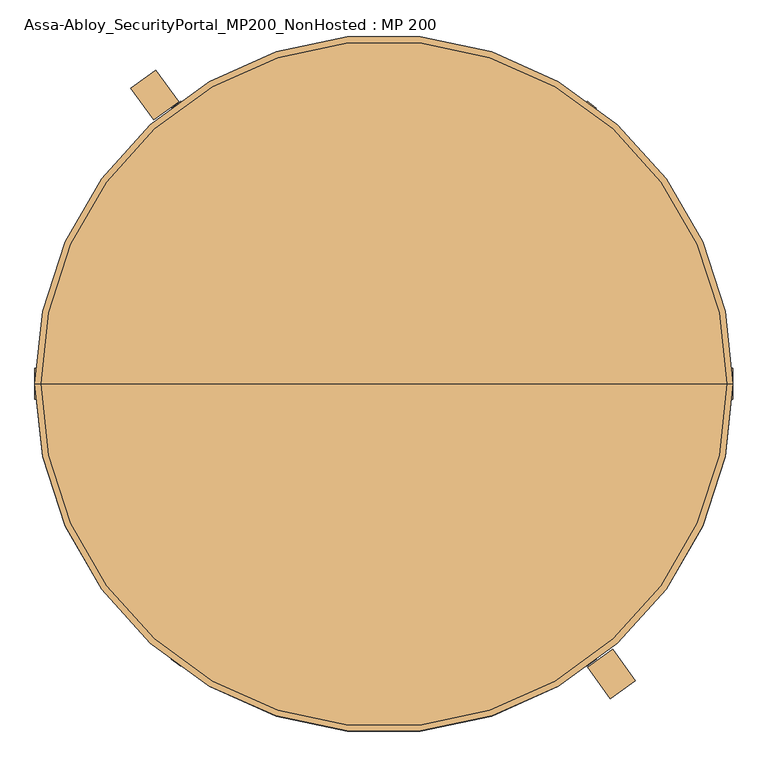
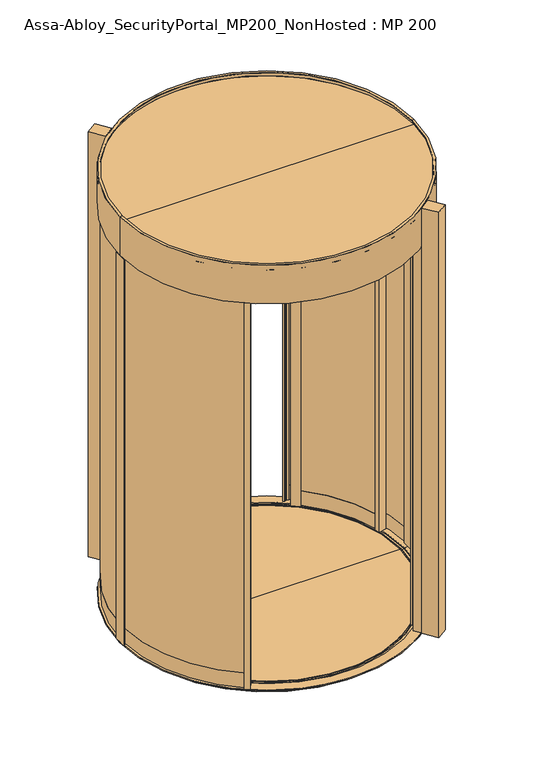
"""IFC4 building model written with IfcOpenShell, lengths in millimetres: door geometry, Assa-Abloy_SecurityPortal_MP200_NonHosted : MP 200."""

from ifc_helpers import new_model, si_unit, point, frame, origin, origin_2d, place, context, project, spatial, polyline, circle_curve, trimmed, segment, composite_curve, outline, extrude, source, transform, mapped, element, save
from ifc_brep_helpers import plane_surface, cylinder_surface, revolved_surface, advanced_brep


def assa_abloy_securityportal_mp200_nonhosted_mp_200_caa7051d(model_context):
    return source(origin(), model_context, "Body", "SolidModel", [
        extrude(outline(polyline([(-587.7852523, 809.0169944), (-529.0067271, 728.1152949), (-593.7280866, 681.0924748), (-652.5066118, 761.9941742), (-587.7852523, 809.0169944)])), frame((0.0, 0.0, 45.0), z_axis=(0.0, 0.0, 1.0), x_axis=(1.0, 0.0, 0.0)), (0.0, 0.0, 1.0), 2750.0),
        extrude(outline(polyline([(583.8246464, -811.8797831), (525.4421818, -730.6918048), (590.3925644, -683.9858331), (648.7750291, -765.1738114), (583.8246464, -811.8797831)])), frame((0.0, 0.0, 45.0), z_axis=(0.0, 0.0, 1.0), x_axis=(1.0, 0.0, 0.0)), (0.0, 0.0, 1.0), 2750.0),
        extrude(outline(polyline([(-840.9291389, -198.6373222), (-795.8013744, -186.3086927), (-787.8952842, -215.2481768), (-790.7892326, -216.0387858), (-794.7422777, -201.5690438), (-817.893865, -207.8939159), (-813.9408199, -222.363658), (-816.8347683, -223.154267), (-821.5784224, -205.7905765), (-837.7667029, -210.2131158), (-840.9291389, -198.6373222)])), frame((0.0, 0.0, 45.0), z_axis=(0.0, 0.0, 1.0), x_axis=(1.0, 0.0, 0.0)), (0.0, 0.0, 1.0), 2547.0),
        extrude(outline(polyline([(-513.8715653, -634.5785348), (-520.1078131, -642.2796594), (-518.6567459, -645.254788), (-519.5271983, -646.3297071), (-525.9508156, -644.7281195), (-529.4823412, -649.0891904), (-528.0312741, -652.064319), (-532.7631722, -657.8832002), (-554.511264, -640.2719427), (-552.6233028, -637.9405048), (-540.9661134, -647.3803107), (-525.862424, -628.7288076), (-537.5196134, -619.2890018), (-535.6316522, -616.9575639), (-513.8715653, -634.5785348)])), frame((0.0, 0.0, 45.0), z_axis=(0.0, 0.0, 1.0), x_axis=(1.0, 0.0, 0.0)), (0.0, 0.0, 1.0), 2547.0),
        extrude(outline(composite_curve([segment(trimmed(circle_curve(origin_2d(), 831.85), [point((-806.2662352, -204.7173185))], [point((-533.539134, -638.208755))], True, "CARTESIAN"), True, "CONTINUOUS"), segment(polyline([(-533.539134, -638.208755), (-540.0212184, -646.2134627)]), True, "CONTINUOUS"), segment(trimmed(circle_curve(origin_2d(), 842.1488916), [point((-540.0212184, -646.2134627))], [point((-816.2026513, -207.4318867))], False, "CARTESIAN"), True, "CONTINUOUS"), segment(polyline([(-816.2026513, -207.4318867), (-806.2662352, -204.7173185)]), True, "CONTINUOUS")], self_intersect=False)), frame((0.0, 0.0, 45.0), z_axis=(0.0, 0.0, 1.0), x_axis=(1.0, 0.0, 0.0)), (0.0, 0.0, 1.0), 95.0),
        extrude(outline(composite_curve([segment(trimmed(circle_curve(origin_2d(), 831.85), [point((-806.2662352, -204.7173185))], [point((-533.539134, -638.208755))], True, "CARTESIAN"), True, "CONTINUOUS"), segment(polyline([(-533.539134, -638.208755), (-540.0212184, -646.2134627)]), True, "CONTINUOUS"), segment(trimmed(circle_curve(origin_2d(), 842.1488916), [point((-540.0212184, -646.2134627))], [point((-816.2026513, -207.4318867))], False, "CARTESIAN"), True, "CONTINUOUS"), segment(polyline([(-816.2026513, -207.4318867), (-806.2662352, -204.7173185)]), True, "CONTINUOUS")], self_intersect=False)), frame((0.0, 0.0, 140.0), z_axis=(0.0, 0.0, 1.0), x_axis=(1.0, 0.0, 0.0)), (0.0, 0.0, 1.0), 2452.0),
        extrude(outline(polyline([(840.9291389, -198.6373222), (837.7667029, -210.2131158), (821.5784224, -205.7905765), (816.8347683, -223.154267), (813.9408199, -222.363658), (817.893865, -207.8939159), (794.7422777, -201.5690438), (790.7892326, -216.0387858), (787.8952842, -215.2481768), (795.8013744, -186.3086927), (840.9291389, -198.6373222)])), frame((0.0, 0.0, 45.0), z_axis=(0.0, 0.0, 1.0), x_axis=(1.0, 0.0, 0.0)), (0.0, 0.0, 1.0), 2547.0),
        extrude(outline(polyline([(513.8715653, -634.5785348), (535.6316522, -616.9575639), (537.5196134, -619.2890018), (525.862424, -628.7288076), (540.9661134, -647.3803107), (552.6233028, -637.9405048), (554.511264, -640.2719427), (532.7631722, -657.8832002), (528.0312741, -652.064319), (529.4823412, -649.0891904), (525.9508156, -644.7281195), (519.5271983, -646.3297071), (518.6567459, -645.254788), (520.1078131, -642.2796594), (513.8715653, -634.5785348)])), frame((0.0, 0.0, 45.0), z_axis=(0.0, 0.0, 1.0), x_axis=(1.0, 0.0, 0.0)), (0.0, 0.0, 1.0), 2547.0),
        extrude(outline(composite_curve([segment(polyline([(806.2662352, -204.7173185), (816.2026513, -207.4318867)]), True, "CONTINUOUS"), segment(trimmed(circle_curve(origin_2d(), 842.1488916), [point((816.2026513, -207.4318867))], [point((540.0212184, -646.2134627))], False, "CARTESIAN"), True, "CONTINUOUS"), segment(polyline([(540.0212184, -646.2134627), (533.539134, -638.208755)]), True, "CONTINUOUS"), segment(trimmed(circle_curve(origin_2d(), 831.85), [point((533.539134, -638.208755))], [point((806.2662352, -204.7173185))], True, "CARTESIAN"), True, "CONTINUOUS")], self_intersect=False)), frame((0.0, 0.0, 45.0), z_axis=(0.0, 0.0, 1.0), x_axis=(1.0, 0.0, 0.0)), (0.0, 0.0, 1.0), 95.0),
        extrude(outline(composite_curve([segment(polyline([(806.2662352, -204.7173185), (816.2026513, -207.4318867)]), True, "CONTINUOUS"), segment(trimmed(circle_curve(origin_2d(), 842.1488916), [point((816.2026513, -207.4318867))], [point((540.0212184, -646.2134627))], False, "CARTESIAN"), True, "CONTINUOUS"), segment(polyline([(540.0212184, -646.2134627), (533.539134, -638.208755)]), True, "CONTINUOUS"), segment(trimmed(circle_curve(origin_2d(), 831.85), [point((533.539134, -638.208755))], [point((806.2662352, -204.7173185))], True, "CARTESIAN"), True, "CONTINUOUS")], self_intersect=False)), frame((0.0, 0.0, 140.0), z_axis=(0.0, 0.0, 1.0), x_axis=(1.0, 0.0, 0.0)), (0.0, 0.0, 1.0), 2452.0),
        extrude(outline(polyline([(-572.5019809, 624.3522498), (-532.0903906, 657.0769104), (-525.8541429, 649.3757858), (-522.6423342, 650.1765796), (-521.7718819, 649.1016605), (-524.6740161, 643.1514034), (-521.1424905, 638.7903324), (-517.9306818, 639.5911263), (-513.2107789, 633.7625316), (-553.6223692, 601.037871), (-557.3982915, 605.7007468), (-544.9639562, 615.769873), (-558.1796844, 632.0899382), (-570.6140198, 622.020812), (-572.5019809, 624.3522498)])), frame((0.0, 0.0, 45.0), z_axis=(0.0, 0.0, 1.0), x_axis=(1.0, 0.0, 0.0)), (0.0, 0.0, 1.0), 2547.0),
        extrude(outline(polyline([(-836.5322011, 207.4188387), (-829.630112, 205.5513418), (-826.3929092, 210.958288), (-820.9118517, 209.4752793), (-817.7254743, 221.2518237), (-814.8296027, 220.4682883), (-818.7472798, 205.9889304), (-798.4761787, 200.5041825), (-794.5585016, 214.9835404), (-788.7667584, 213.4164696), (-796.6543483, 184.2646956), (-843.3465428, 196.8981937), (-836.5322011, 207.4188387)])), frame((0.0, 0.0, 45.0), z_axis=(0.0, 0.0, 1.0), x_axis=(1.0, 0.0, 0.0)), (0.0, 0.0, 1.0), 2547.0),
        extrude(outline(composite_curve([segment(trimmed(circle_curve(origin_2d(), 830.5), [point((-550.1365798, 622.1575312))], [point((-805.4606921, 202.3939809))], True, "CARTESIAN"), True, "CONTINUOUS"), segment(polyline([(-805.4606921, 202.3939809), (-815.1234221, 205.0084239)]), True, "CONTINUOUS"), segment(trimmed(circle_curve(origin_2d(), 840.5085645), [point((-815.1234221, 205.0084239))], [point((-556.4410287, 629.9428773))], False, "CARTESIAN"), True, "CONTINUOUS"), segment(polyline([(-556.4410287, 629.9428773), (-550.1365798, 622.1575312)]), True, "CONTINUOUS")], self_intersect=False)), frame((0.0, 0.0, 45.0), z_axis=(0.0, 0.0, 1.0), x_axis=(1.0, 0.0, 0.0)), (0.0, 0.0, 1.0), 95.0),
        extrude(outline(composite_curve([segment(trimmed(circle_curve(origin_2d(), 830.5), [point((-550.1365798, 622.1575312))], [point((-805.4606921, 202.3939809))], True, "CARTESIAN"), True, "CONTINUOUS"), segment(polyline([(-805.4606921, 202.3939809), (-815.1234221, 205.0084239)]), True, "CONTINUOUS"), segment(trimmed(circle_curve(origin_2d(), 840.5085645), [point((-815.1234221, 205.0084239))], [point((-556.4410287, 629.9428773))], False, "CARTESIAN"), True, "CONTINUOUS"), segment(polyline([(-556.4410287, 629.9428773), (-550.1365798, 622.1575312)]), True, "CONTINUOUS")], self_intersect=False)), frame((0.0, 0.0, 140.0), z_axis=(0.0, 0.0, 1.0), x_axis=(1.0, 0.0, 0.0)), (0.0, 0.0, 1.0), 2452.0),
        extrude(outline(polyline([(572.5019809, 624.3522498), (570.6140198, 622.020812), (558.1796844, 632.0899382), (544.9639562, 615.769873), (557.3982915, 605.7007468), (553.6223692, 601.037871), (513.2107789, 633.7625316), (517.9306818, 639.5911263), (521.1424905, 638.7903324), (524.6740161, 643.1514034), (521.7718819, 649.1016605), (522.6423342, 650.1765796), (525.8541429, 649.3757858), (532.0903906, 657.0769104), (572.5019809, 624.3522498)])), frame((0.0, 0.0, 45.0), z_axis=(0.0, 0.0, 1.0), x_axis=(1.0, 0.0, 0.0)), (0.0, 0.0, 1.0), 2547.0),
        extrude(outline(polyline([(835.8030777, 210.3376174), (842.6541019, 199.8408229), (796.006291, 187.0444156), (788.0169905, 216.1684792), (793.8032283, 217.7557574), (797.7714239, 203.2901629), (818.0232562, 208.8456368), (814.0550605, 223.3112313), (816.9481794, 224.1048704), (820.1756452, 212.3395202), (825.6514927, 213.8416523), (828.9075495, 208.4460391), (835.8030777, 210.3376174)])), frame((0.0, 0.0, 45.0), z_axis=(0.0, 0.0, 1.0), x_axis=(1.0, 0.0, 0.0)), (0.0, 0.0, 1.0), 2547.0),
        extrude(outline(composite_curve([segment(polyline([(550.1365798, 622.1575312), (556.4252002, 629.9233307)]), True, "CONTINUOUS"), segment(trimmed(circle_curve(origin_2d(), 840.4834359), [point((556.4252002, 629.9233307))], [point((814.3786059, 207.8458379))], False, "CARTESIAN"), True, "CONTINUOUS"), segment(polyline([(814.3786059, 207.8458379), (804.7492981, 205.2043304)]), True, "CONTINUOUS"), segment(trimmed(circle_curve(origin_2d(), 830.5), [point((804.7492981, 205.2043304))], [point((550.1365798, 622.1575312))], True, "CARTESIAN"), True, "CONTINUOUS")], self_intersect=False)), frame((0.0, 0.0, 45.0), z_axis=(0.0, 0.0, 1.0), x_axis=(1.0, 0.0, 0.0)), (0.0, 0.0, 1.0), 95.0),
        extrude(outline(composite_curve([segment(polyline([(550.1365798, 622.1575312), (556.4252002, 629.9233307)]), True, "CONTINUOUS"), segment(trimmed(circle_curve(origin_2d(), 840.4834359), [point((556.4252002, 629.9233307))], [point((814.3786059, 207.8458379))], False, "CARTESIAN"), True, "CONTINUOUS"), segment(polyline([(814.3786059, 207.8458379), (804.7492981, 205.2043304)]), True, "CONTINUOUS"), segment(trimmed(circle_curve(origin_2d(), 830.5), [point((804.7492981, 205.2043304))], [point((550.1365798, 622.1575312))], True, "CARTESIAN"), True, "CONTINUOUS")], self_intersect=False)), frame((0.0, 0.0, 140.0), z_axis=(0.0, 0.0, 1.0), x_axis=(1.0, 0.0, 0.0)), (0.0, 0.0, 1.0), 2452.0),
        extrude(outline(polyline([(524.0579552, 728.554429), (547.4074128, 710.5664329), (543.7457122, 705.8133341), (531.8629651, 714.9675856), (519.047013, 698.3317396), (530.9297601, 689.1774881), (529.0989098, 686.8009387), (520.0087487, 693.8038329), (516.5418051, 689.3035399), (509.8115964, 691.7097246), (505.6037219, 686.2476606), (494.5378553, 690.2356345), (524.0579552, 728.554429)])), frame((0.0, 0.0, 45.0), z_axis=(0.0, 0.0, 1.0), x_axis=(1.0, 0.0, 0.0)), (0.0, 0.0, 1.0), 2500.0),
        extrude(outline(polyline([(546.166091, -707.7830819), (547.917565, -710.2187212), (523.3987955, -727.8502256), (495.9590371, -689.6918758), (510.3340805, -679.3547485), (511.6768772, -681.222072), (499.7374732, -689.8077253), (506.7433689, -699.5502827), (528.826499, -683.6702523), (532.1542995, -688.2979671), (519.9761028, -697.0553368), (533.9878943, -716.5404516), (546.166091, -707.7830819)])), frame((0.0, 0.0, 45.0), z_axis=(0.0, 0.0, 1.0), x_axis=(1.0, 0.0, 0.0)), (0.0, 0.0, 1.0), 2500.0),
        extrude(outline(polyline([(862.0, -40.0), (862.0, 40.0), (869.0, 40.0), (869.0, 23.6246718), (893.0, 23.6246718), (893.0, 40.0), (900.0, 40.0), (900.0, -40.0), (893.0, -40.0), (893.0, -23.6246718), (869.0, -23.6246718), (869.0, -40.0), (862.0, -40.0)])), frame((0.0, 0.0, 45.0), z_axis=(0.0, 0.0, 1.0), x_axis=(1.0, 0.0, 0.0)), (0.0, 0.0, 1.0), 2500.0),
        extrude(outline(composite_curve([segment(trimmed(circle_curve(origin_2d(), 873.4), [point((522.1757936, -700.1142768))], [point((873.0804286, -23.6246718))], True, "CARTESIAN"), True, "CONTINUOUS"), segment(polyline([(873.0804286, -23.6246718), (883.3841562, -23.6246718)]), True, "CONTINUOUS"), segment(trimmed(circle_curve(origin_2d(), 883.7000014), [point((883.3841562, -23.6246718))], [point((528.1900886, -708.4778916))], False, "CARTESIAN"), True, "CONTINUOUS"), segment(polyline([(528.1900886, -708.4778916), (522.1757936, -700.1142768)]), True, "CONTINUOUS")], self_intersect=False)), frame((0.0, 0.0, 140.0), z_axis=(0.0, 0.0, 1.0), x_axis=(1.0, 0.0, 0.0)), (0.0, 0.0, 1.0), 2405.0),
        extrude(outline(composite_curve([segment(polyline([(521.0601907, 700.9449605), (527.3470273, 709.1056375)]), True, "CONTINUOUS"), segment(trimmed(circle_curve(origin_2d(), 883.7000014), [point((527.3470273, 709.1056375))], [point((883.3841561, 23.6246718))], False, "CARTESIAN"), True, "CONTINUOUS"), segment(polyline([(883.3841561, 23.6246718), (873.0804286, 23.6246718)]), True, "CONTINUOUS"), segment(trimmed(circle_curve(origin_2d(), 873.4), [point((873.0804286, 23.6246718))], [point((521.0601907, 700.9449605))], True, "CARTESIAN"), True, "CONTINUOUS")], self_intersect=False)), frame((0.0, 0.0, 140.0), z_axis=(0.0, 0.0, 1.0), x_axis=(1.0, 0.0, 0.0)), (0.0, 0.0, 1.0), 2405.0),
        extrude(outline(composite_curve([segment(trimmed(circle_curve(origin_2d(), 873.4), [point((522.1757936, -700.1142768))], [point((873.0804286, -23.6246718))], True, "CARTESIAN"), True, "CONTINUOUS"), segment(polyline([(873.0804286, -23.6246718), (883.3841562, -23.6246718)]), True, "CONTINUOUS"), segment(trimmed(circle_curve(origin_2d(), 883.7000014), [point((883.3841562, -23.6246718))], [point((528.1900886, -708.4778916))], False, "CARTESIAN"), True, "CONTINUOUS"), segment(polyline([(528.1900886, -708.4778916), (522.1757936, -700.1142768)]), True, "CONTINUOUS")], self_intersect=False)), frame((0.0, 0.0, 45.0), z_axis=(0.0, 0.0, 1.0), x_axis=(1.0, 0.0, 0.0)), (0.0, 0.0, 1.0), 95.0),
        extrude(outline(composite_curve([segment(polyline([(521.0601907, 700.9449605), (527.3470286, 709.1056392)]), True, "CONTINUOUS"), segment(trimmed(circle_curve(origin_2d(), 883.7000034), [point((527.3470286, 709.1056392))], [point((883.3841582, 23.6246718))], False, "CARTESIAN"), True, "CONTINUOUS"), segment(polyline([(883.3841582, 23.6246718), (873.0804286, 23.6246718)]), True, "CONTINUOUS"), segment(trimmed(circle_curve(origin_2d(), 873.4), [point((873.0804286, 23.6246718))], [point((521.0601907, 700.9449605))], True, "CARTESIAN"), True, "CONTINUOUS")], self_intersect=False)), frame((0.0, 0.0, 45.0), z_axis=(0.0, 0.0, 1.0), x_axis=(1.0, 0.0, 0.0)), (0.0, 0.0, 1.0), 95.0),
        extrude(outline(polyline([(-524.0579552, 728.554429), (-494.5378553, 690.2356345), (-505.6037219, 686.2476606), (-509.8115964, 691.7097246), (-516.5418051, 689.3035399), (-520.0087487, 693.8038329), (-529.0989098, 686.8009387), (-530.9297601, 689.1774881), (-519.047013, 698.3317396), (-531.8629651, 714.9675856), (-543.7457122, 705.8133341), (-547.4074128, 710.5664329), (-524.0579552, 728.554429)])), frame((0.0, 0.0, 45.0), z_axis=(0.0, 0.0, 1.0), x_axis=(1.0, 0.0, 0.0)), (0.0, 0.0, 1.0), 2500.0),
        extrude(outline(polyline([(-546.166091, -707.7830819), (-533.9878943, -716.5404516), (-519.9761028, -697.0553368), (-532.1542995, -688.2979671), (-528.826499, -683.6702523), (-506.7433689, -699.5502827), (-499.7374732, -689.8077253), (-511.6768772, -681.222072), (-510.3340805, -679.3547485), (-495.9590371, -689.6918758), (-523.3987955, -727.8502256), (-547.917565, -710.2187212), (-546.166091, -707.7830819)])), frame((0.0, 0.0, 45.0), z_axis=(0.0, 0.0, 1.0), x_axis=(1.0, 0.0, 0.0)), (0.0, 0.0, 1.0), 2500.0),
        extrude(outline(polyline([(-862.0, -40.0), (-869.0, -40.0), (-869.0, -23.6246718), (-893.0, -23.6246718), (-893.0, -40.0), (-900.0, -40.0), (-900.0, 40.0), (-893.0, 40.0), (-893.0, 23.6246718), (-869.0, 23.6246718), (-869.0, 40.0), (-862.0, 40.0), (-862.0, -40.0)])), frame((0.0, 0.0, 45.0), z_axis=(0.0, 0.0, 1.0), x_axis=(1.0, 0.0, 0.0)), (0.0, 0.0, 1.0), 2500.0),
        extrude(outline(composite_curve([segment(polyline([(-522.1757936, -700.1142768), (-528.1900886, -708.4778916)]), True, "CONTINUOUS"), segment(trimmed(circle_curve(origin_2d(), 883.7000014), [point((-528.1900886, -708.4778916))], [point((-883.3841562, -23.6246718))], False, "CARTESIAN"), True, "CONTINUOUS"), segment(polyline([(-883.3841562, -23.6246718), (-873.0804286, -23.6246718)]), True, "CONTINUOUS"), segment(trimmed(circle_curve(origin_2d(), 873.4), [point((-873.0804286, -23.6246718))], [point((-522.1757936, -700.1142768))], True, "CARTESIAN"), True, "CONTINUOUS")], self_intersect=False)), frame((0.0, 0.0, 140.0), z_axis=(0.0, 0.0, 1.0), x_axis=(1.0, 0.0, 0.0)), (0.0, 0.0, 1.0), 2405.0),
        extrude(outline(composite_curve([segment(trimmed(circle_curve(origin_2d(), 873.4), [point((-521.0601907, 700.9449605))], [point((-873.0804286, 23.6246718))], True, "CARTESIAN"), True, "CONTINUOUS"), segment(polyline([(-873.0804286, 23.6246718), (-883.3841561, 23.6246718)]), True, "CONTINUOUS"), segment(trimmed(circle_curve(origin_2d(), 883.7000014), [point((-883.3841561, 23.6246718))], [point((-527.3470273, 709.1056375))], False, "CARTESIAN"), True, "CONTINUOUS"), segment(polyline([(-527.3470273, 709.1056375), (-521.0601907, 700.9449605)]), True, "CONTINUOUS")], self_intersect=False)), frame((0.0, 0.0, 140.0), z_axis=(0.0, 0.0, 1.0), x_axis=(1.0, 0.0, 0.0)), (0.0, 0.0, 1.0), 2405.0),
        extrude(outline(composite_curve([segment(polyline([(-522.1757936, -700.1142768), (-528.1900886, -708.4778916)]), True, "CONTINUOUS"), segment(trimmed(circle_curve(origin_2d(), 883.7000014), [point((-528.1900886, -708.4778916))], [point((-883.3841562, -23.6246718))], False, "CARTESIAN"), True, "CONTINUOUS"), segment(polyline([(-883.3841562, -23.6246718), (-873.0804286, -23.6246718)]), True, "CONTINUOUS"), segment(trimmed(circle_curve(origin_2d(), 873.4), [point((-873.0804286, -23.6246718))], [point((-522.1757936, -700.1142768))], True, "CARTESIAN"), True, "CONTINUOUS")], self_intersect=False)), frame((0.0, 0.0, 45.0), z_axis=(0.0, 0.0, 1.0), x_axis=(1.0, 0.0, 0.0)), (0.0, 0.0, 1.0), 95.0),
        extrude(outline(composite_curve([segment(trimmed(circle_curve(origin_2d(), 873.4), [point((-521.0601907, 700.9449605))], [point((-873.0804286, 23.6246718))], True, "CARTESIAN"), True, "CONTINUOUS"), segment(polyline([(-873.0804286, 23.6246718), (-883.3841582, 23.6246718)]), True, "CONTINUOUS"), segment(trimmed(circle_curve(origin_2d(), 883.7000034), [point((-883.3841582, 23.6246718))], [point((-527.3470286, 709.1056392))], False, "CARTESIAN"), True, "CONTINUOUS"), segment(polyline([(-527.3470286, 709.1056392), (-521.0601907, 700.9449605)]), True, "CONTINUOUS")], self_intersect=False)), frame((0.0, 0.0, 45.0), z_axis=(0.0, 0.0, 1.0), x_axis=(1.0, 0.0, 0.0)), (0.0, 0.0, 1.0), 95.0),
        advanced_brep(
        [(-900.0, 0.0, 40.0), (900.0, 0.0, 40.0), (849.9985224, 0.0, 40.0), (-849.9985224, 0.0, 40.0), (-900.0, 0.0, 45.0), (900.0, 0.0, 45.0), (-839.923369, 0.0, 45.0), (839.923369, 0.0, 45.0), (-839.923369, 0.0, 37.0), (839.923369, 0.0, 37.0), (-821.9976165, 0.0, 37.0), (821.9976165, 0.0, 37.0), (-821.9976165, 0.0, 45.0), (821.9976165, 0.0, 45.0), (-817.9206321, 0.0, 45.0), (817.9206321, 0.0, 45.0), (-817.9206321, 0.0, 5.0), (817.9206321, 0.0, 5.0), (-812.9199894, 0.0, 5.0), (812.9199894, 0.0, 5.0), (-812.9199894, 0.0, 0.0), (812.9199894, 0.0, 0.0), (-849.9985224, 0.0, 0.0), (849.9985224, 0.0, 0.0)],
        [
            (0, 1, circle_curve(frame((0.0, 0.0, 40.0), z_axis=(0.0, 0.0, -1.0), x_axis=(1.0, 0.0, 0.0)), 900.0)),
            (1, 2),
            (2, 3, circle_curve(frame((0.0, 0.0, 40.0), z_axis=(0.0, 0.0, 1.0), x_axis=(1.0, 0.0, 0.0)), 849.9985224)),
            (3, 0),
            (1, 0, circle_curve(frame((0.0, 0.0, 40.0), z_axis=(0.0, 0.0, -1.0), x_axis=(1.0, 0.0, 0.0)), 900.0)),
            (3, 2, circle_curve(frame((0.0, 0.0, 40.0), z_axis=(0.0, 0.0, 1.0), x_axis=(1.0, 0.0, 0.0)), 849.9985224)),
            (4, 5, circle_curve(frame((0.0, 0.0, 45.0), z_axis=(0.0, 0.0, -1.0), x_axis=(1.0, 0.0, 0.0)), 900.0)),
            (5, 1),
            (0, 4),
            (5, 4, circle_curve(frame((0.0, 0.0, 45.0), z_axis=(0.0, 0.0, -1.0), x_axis=(1.0, 0.0, 0.0)), 900.0)),
            (6, 7, circle_curve(frame((0.0, 0.0, 45.0), z_axis=(0.0, 0.0, -1.0), x_axis=(1.0, 0.0, 0.0)), 839.923369)),
            (7, 5),
            (4, 6),
            (7, 6, circle_curve(frame((0.0, 0.0, 45.0), z_axis=(0.0, 0.0, -1.0), x_axis=(1.0, 0.0, 0.0)), 839.923369)),
            (8, 9, circle_curve(frame((0.0, 0.0, 37.0), z_axis=(0.0, 0.0, -1.0), x_axis=(1.0, 0.0, 0.0)), 839.923369)),
            (9, 7),
            (6, 8),
            (9, 8, circle_curve(frame((0.0, 0.0, 37.0), z_axis=(0.0, 0.0, -1.0), x_axis=(1.0, 0.0, 0.0)), 839.923369)),
            (10, 11, circle_curve(frame((0.0, 0.0, 37.0), z_axis=(0.0, 0.0, -1.0), x_axis=(1.0, 0.0, 0.0)), 821.9976165)),
            (11, 9),
            (8, 10),
            (11, 10, circle_curve(frame((0.0, 0.0, 37.0), z_axis=(0.0, 0.0, -1.0), x_axis=(1.0, 0.0, 0.0)), 821.9976165)),
            (12, 13, circle_curve(frame((0.0, 0.0, 45.0), z_axis=(0.0, 0.0, -1.0), x_axis=(1.0, 0.0, 0.0)), 821.9976165)),
            (13, 11),
            (10, 12),
            (13, 12, circle_curve(frame((0.0, 0.0, 45.0), z_axis=(0.0, 0.0, -1.0), x_axis=(1.0, 0.0, 0.0)), 821.9976165)),
            (14, 15, circle_curve(frame((0.0, 0.0, 45.0), z_axis=(0.0, 0.0, -1.0), x_axis=(1.0, 0.0, 0.0)), 817.9206321)),
            (15, 13),
            (12, 14),
            (15, 14, circle_curve(frame((0.0, 0.0, 45.0), z_axis=(0.0, 0.0, -1.0), x_axis=(1.0, 0.0, 0.0)), 817.9206321)),
            (16, 17, circle_curve(frame((0.0, 0.0, 5.0), z_axis=(0.0, 0.0, -1.0), x_axis=(1.0, 0.0, 0.0)), 817.9206321)),
            (17, 15),
            (14, 16),
            (17, 16, circle_curve(frame((0.0, 0.0, 5.0), z_axis=(0.0, 0.0, -1.0), x_axis=(1.0, 0.0, 0.0)), 817.9206321)),
            (18, 19, circle_curve(frame((0.0, 0.0, 5.0), z_axis=(0.0, 0.0, -1.0), x_axis=(1.0, 0.0, 0.0)), 812.9199894)),
            (19, 17),
            (16, 18),
            (19, 18, circle_curve(frame((0.0, 0.0, 5.0), z_axis=(0.0, 0.0, -1.0), x_axis=(1.0, 0.0, 0.0)), 812.9199894)),
            (20, 21, circle_curve(frame((0.0, 0.0, 0.0), z_axis=(0.0, 0.0, -1.0), x_axis=(1.0, 0.0, 0.0)), 812.9199894)),
            (21, 19),
            (18, 20),
            (21, 20, circle_curve(frame((0.0, 0.0, 0.0), z_axis=(0.0, 0.0, -1.0), x_axis=(1.0, 0.0, 0.0)), 812.9199894)),
            (22, 23, circle_curve(frame((0.0, 0.0, 0.0), z_axis=(0.0, 0.0, -1.0), x_axis=(1.0, 0.0, 0.0)), 849.9985224)),
            (23, 21),
            (20, 22),
            (23, 22, circle_curve(frame((0.0, 0.0, 0.0), z_axis=(0.0, 0.0, -1.0), x_axis=(1.0, 0.0, 0.0)), 849.9985224)),
            (2, 23),
            (22, 3),
        ],
        [
            plane_surface(frame((0.0, 0.0, 40.0), z_axis=(0.0, 0.0, -1.0), x_axis=(1.0, 0.0, 0.0))),
            cylinder_surface(frame((0.0, 0.0, 345.0), z_axis=(0.0, 0.0, 1.0), x_axis=(1.0, 0.0, 0.0)), 900.0),
            plane_surface(frame((0.0, 0.0, 45.0), z_axis=(0.0, 0.0, 1.0), x_axis=(1.0, 0.0, 0.0))),
            revolved_surface(polyline([(839.923369, 0.0, 45.0), (839.923369, 0.0, 37.0)]), (0.0, 0.0, 345.0), (0.0, 0.0, 1.0)),
            plane_surface(frame((0.0, 0.0, 37.0), z_axis=(0.0, 0.0, 1.0), x_axis=(1.0, 0.0, 0.0))),
            cylinder_surface(frame((0.0, 0.0, 345.0), z_axis=(0.0, 0.0, 1.0), x_axis=(1.0, 0.0, 0.0)), 821.9976165),
            revolved_surface(polyline([(817.9206321, 0.0, 45.0), (817.9206321, 0.0, 5.0)]), (0.0, 0.0, 345.0), (0.0, 0.0, 1.0)),
            plane_surface(frame((0.0, 0.0, 5.0), z_axis=(0.0, 0.0, 1.0), x_axis=(1.0, 0.0, 0.0))),
            revolved_surface(polyline([(812.9199894, 0.0, 5.0), (812.9199894, 0.0, 0.0)]), (0.0, 0.0, 345.0), (0.0, 0.0, 1.0)),
            plane_surface(frame((0.0, 0.0, 0.0), z_axis=(0.0, 0.0, -1.0), x_axis=(1.0, 0.0, 0.0))),
            cylinder_surface(frame((0.0, 0.0, 345.0), z_axis=(0.0, 0.0, 1.0), x_axis=(1.0, 0.0, 0.0)), 849.9985224),
        ],
        [
            (0, [[1, 2, 3, 4]]),
            (0, [[5, -4, 6, -2]]),
            (1, [[7, 8, -1, 9]]),
            (1, [[10, -9, -5, -8]]),
            (2, [[11, 12, -7, 13]]),
            (2, [[14, -13, -10, -12]]),
            (3, [[15, 16, -11, 17]]),
            (3, [[18, -17, -14, -16]]),
            (4, [[19, 20, -15, 21]]),
            (4, [[22, -21, -18, -20]]),
            (5, [[23, 24, -19, 25]]),
            (5, [[26, -25, -22, -24]]),
            (2, [[27, 28, -23, 29]]),
            (2, [[30, -29, -26, -28]]),
            (6, [[31, 32, -27, 33]]),
            (6, [[34, -33, -30, -32]]),
            (7, [[35, 36, -31, 37]]),
            (7, [[38, -37, -34, -36]]),
            (8, [[39, 40, -35, 41]]),
            (8, [[42, -41, -38, -40]]),
            (9, [[43, 44, -39, 45]]),
            (9, [[46, -45, -42, -44]]),
            (10, [[-3, 47, -43, 48]]),
            (10, [[-6, -48, -46, -47]]),
        ],
    ),
        advanced_brep(
        [(0.0, 0.0, 0.0), (-810.0199894, 0.0, 0.0), (810.0199894, 0.0, 0.0), (814.0201266, 0.0, 43.0), (-814.0201266, 0.0, 43.0), (0.0, 0.0, 43.0), (814.0201266, 0.0, 23.0), (-814.0201266, 0.0, 23.0), (810.0199894, 0.0, 23.0), (-810.0199894, 0.0, 23.0)],
        [
            (0, 1),
            (1, 2, circle_curve(frame((0.0, 0.0, 0.0), z_axis=(0.0, 0.0, -1.0), x_axis=(-1.0, 0.0, 0.0)), 810.0199894)),
            (2, 0),
            (2, 1, circle_curve(frame((0.0, 0.0, 0.0), z_axis=(0.0, 0.0, -1.0), x_axis=(-1.0, 0.0, 0.0)), 810.0199894)),
            (3, 4, circle_curve(frame((0.0, 0.0, 43.0), z_axis=(0.0, 0.0, 1.0), x_axis=(-1.0, 0.0, 0.0)), 814.0201266)),
            (4, 5),
            (5, 3),
            (4, 3, circle_curve(frame((0.0, 0.0, 43.0), z_axis=(0.0, 0.0, 1.0), x_axis=(-1.0, 0.0, 0.0)), 814.0201266)),
            (6, 7, circle_curve(frame((0.0, 0.0, 23.0), z_axis=(0.0, 0.0, 1.0), x_axis=(-1.0, 0.0, 0.0)), 814.0201266)),
            (7, 4),
            (3, 6),
            (7, 6, circle_curve(frame((0.0, 0.0, 23.0), z_axis=(0.0, 0.0, 1.0), x_axis=(-1.0, 0.0, 0.0)), 814.0201266)),
            (8, 9, circle_curve(frame((0.0, 0.0, 23.0), z_axis=(0.0, 0.0, 1.0), x_axis=(-1.0, 0.0, 0.0)), 810.0199894)),
            (9, 7),
            (6, 8),
            (9, 8, circle_curve(frame((0.0, 0.0, 23.0), z_axis=(0.0, 0.0, 1.0), x_axis=(-1.0, 0.0, 0.0)), 810.0199894)),
            (1, 9),
            (8, 2),
        ],
        [
            plane_surface(frame((0.0, 0.0, 0.0), z_axis=(0.0, 0.0, -1.0), x_axis=(-1.0, 0.0, 0.0))),
            plane_surface(frame((0.0, 0.0, 43.0), z_axis=(0.0, 0.0, 1.0), x_axis=(-1.0, 0.0, 0.0))),
            cylinder_surface(frame((0.0, 0.0, 2758.5631562), z_axis=(0.0, 0.0, -1.0), x_axis=(-1.0, 0.0, 0.0)), 814.0201266),
            plane_surface(frame((0.0, 0.0, 23.0), z_axis=(0.0, 0.0, -1.0), x_axis=(-1.0, 0.0, 0.0))),
            cylinder_surface(frame((0.0, 0.0, 2758.5631562), z_axis=(0.0, 0.0, -1.0), x_axis=(-1.0, 0.0, 0.0)), 810.0199894),
        ],
        [
            (0, [[1, 2, 3]]),
            (0, [[-3, 4, -1]]),
            (1, [[5, 6, 7]]),
            (1, [[8, -7, -6]]),
            (2, [[9, 10, -5, 11]]),
            (2, [[12, -11, -8, -10]]),
            (3, [[13, 14, -9, 15]]),
            (3, [[16, -15, -12, -14]]),
            (4, [[-2, 17, -13, 18]]),
            (4, [[-4, -18, -16, -17]]),
        ],
    ),
        advanced_brep(
        [(0.0, 0.0, 2763.5), (897.9997885, 0.0, 2763.5), (-897.9997885, 0.0, 2763.5), (-805.0668827, 0.0, 2547.316975), (805.0668827, 0.0, 2547.316975), (0.0, 0.0, 2547.316975), (-805.0668827, 0.0, 2594.816975), (805.0668827, 0.0, 2594.816975), (-849.9944132, 0.0, 2594.816975), (849.9944132, 0.0, 2594.816975), (-849.9944132, 0.0, 2545.0), (849.9944132, 0.0, 2545.0), (-900.0, 0.0, 2545.0), (900.0, 0.0, 2545.0), (-900.0, 0.0, 2795.0), (900.0, 0.0, 2795.0), (-884.7983684, 0.0, 2795.0), (884.7983684, 0.0, 2795.0), (-884.7983684, 0.0, 2792.0), (884.7983684, 0.0, 2792.0), (-897.9997885, 0.0, 2792.0), (897.9997885, 0.0, 2792.0)],
        [
            (0, 1),
            (1, 2, circle_curve(frame((0.0, 0.0, 2763.5), z_axis=(0.0, 0.0, 1.0), x_axis=(1.0, 0.0, 0.0)), 897.9997885)),
            (2, 0),
            (2, 1, circle_curve(frame((0.0, 0.0, 2763.5), z_axis=(0.0, 0.0, 1.0), x_axis=(1.0, 0.0, 0.0)), 897.9997885)),
            (3, 4, circle_curve(frame((0.0, 0.0, 2547.316975), z_axis=(0.0, 0.0, -1.0), x_axis=(1.0, 0.0, 0.0)), 805.0668827)),
            (4, 5),
            (5, 3),
            (4, 3, circle_curve(frame((0.0, 0.0, 2547.316975), z_axis=(0.0, 0.0, -1.0), x_axis=(1.0, 0.0, 0.0)), 805.0668827)),
            (6, 7, circle_curve(frame((0.0, 0.0, 2594.816975), z_axis=(0.0, 0.0, -1.0), x_axis=(1.0, 0.0, 0.0)), 805.0668827)),
            (7, 4),
            (3, 6),
            (7, 6, circle_curve(frame((0.0, 0.0, 2594.816975), z_axis=(0.0, 0.0, -1.0), x_axis=(1.0, 0.0, 0.0)), 805.0668827)),
            (8, 9, circle_curve(frame((0.0, 0.0, 2594.816975), z_axis=(0.0, 0.0, -1.0), x_axis=(1.0, 0.0, 0.0)), 849.9944132)),
            (9, 7),
            (6, 8),
            (9, 8, circle_curve(frame((0.0, 0.0, 2594.816975), z_axis=(0.0, 0.0, -1.0), x_axis=(1.0, 0.0, 0.0)), 849.9944132)),
            (10, 11, circle_curve(frame((0.0, 0.0, 2545.0), z_axis=(0.0, 0.0, -1.0), x_axis=(1.0, 0.0, 0.0)), 849.9944132)),
            (11, 9),
            (8, 10),
            (11, 10, circle_curve(frame((0.0, 0.0, 2545.0), z_axis=(0.0, 0.0, -1.0), x_axis=(1.0, 0.0, 0.0)), 849.9944132)),
            (12, 13, circle_curve(frame((0.0, 0.0, 2545.0), z_axis=(0.0, 0.0, -1.0), x_axis=(1.0, 0.0, 0.0)), 900.0)),
            (13, 11),
            (10, 12),
            (13, 12, circle_curve(frame((0.0, 0.0, 2545.0), z_axis=(0.0, 0.0, -1.0), x_axis=(1.0, 0.0, 0.0)), 900.0)),
            (14, 15, circle_curve(frame((0.0, 0.0, 2795.0), z_axis=(0.0, 0.0, -1.0), x_axis=(1.0, 0.0, 0.0)), 900.0)),
            (15, 13),
            (12, 14),
            (15, 14, circle_curve(frame((0.0, 0.0, 2795.0), z_axis=(0.0, 0.0, -1.0), x_axis=(1.0, 0.0, 0.0)), 900.0)),
            (16, 17, circle_curve(frame((0.0, 0.0, 2795.0), z_axis=(0.0, 0.0, -1.0), x_axis=(1.0, 0.0, 0.0)), 884.7983684)),
            (17, 15),
            (14, 16),
            (17, 16, circle_curve(frame((0.0, 0.0, 2795.0), z_axis=(0.0, 0.0, -1.0), x_axis=(1.0, 0.0, 0.0)), 884.7983684)),
            (18, 19, circle_curve(frame((0.0, 0.0, 2792.0), z_axis=(0.0, 0.0, -1.0), x_axis=(1.0, 0.0, 0.0)), 884.7983684)),
            (19, 17),
            (16, 18),
            (19, 18, circle_curve(frame((0.0, 0.0, 2792.0), z_axis=(0.0, 0.0, -1.0), x_axis=(1.0, 0.0, 0.0)), 884.7983684)),
            (20, 21, circle_curve(frame((0.0, 0.0, 2792.0), z_axis=(0.0, 0.0, -1.0), x_axis=(1.0, 0.0, 0.0)), 897.9997885)),
            (21, 19),
            (18, 20),
            (21, 20, circle_curve(frame((0.0, 0.0, 2792.0), z_axis=(0.0, 0.0, -1.0), x_axis=(1.0, 0.0, 0.0)), 897.9997885)),
            (1, 21),
            (20, 2),
        ],
        [
            plane_surface(frame((0.0, 0.0, 2763.5), z_axis=(0.0, 0.0, 1.0), x_axis=(1.0, 0.0, 0.0))),
            plane_surface(frame((0.0, 0.0, 2547.316975), z_axis=(0.0, 0.0, -1.0), x_axis=(1.0, 0.0, 0.0))),
            cylinder_surface(frame((0.0, 0.0, 3558.5631562), z_axis=(0.0, 0.0, 1.0), x_axis=(1.0, 0.0, 0.0)), 805.0668827),
            plane_surface(frame((0.0, 0.0, 2594.816975), z_axis=(0.0, 0.0, -1.0), x_axis=(1.0, 0.0, 0.0))),
            revolved_surface(polyline([(849.9944132, 0.0, 2594.816975), (849.9944132, 0.0, 2545.0)]), (0.0, 0.0, 3558.5631562), (0.0, 0.0, 1.0)),
            plane_surface(frame((0.0, 0.0, 2545.0), z_axis=(0.0, 0.0, -1.0), x_axis=(1.0, 0.0, 0.0))),
            cylinder_surface(frame((0.0, 0.0, 3558.5631562), z_axis=(0.0, 0.0, 1.0), x_axis=(1.0, 0.0, 0.0)), 900.0),
            plane_surface(frame((0.0, 0.0, 2795.0), z_axis=(0.0, 0.0, 1.0), x_axis=(1.0, 0.0, 0.0))),
            revolved_surface(polyline([(884.7983684, 0.0, 2795.0), (884.7983684, 0.0, 2792.0)]), (0.0, 0.0, 3558.5631562), (0.0, 0.0, 1.0)),
            plane_surface(frame((0.0, 0.0, 2792.0), z_axis=(0.0, 0.0, -1.0), x_axis=(1.0, 0.0, 0.0))),
            revolved_surface(polyline([(897.9997885, 0.0, 2792.0), (897.9997885, 0.0, 2763.5)]), (0.0, 0.0, 3558.5631562), (0.0, 0.0, 1.0)),
        ],
        [
            (0, [[1, 2, 3]]),
            (0, [[-3, 4, -1]]),
            (1, [[5, 6, 7]]),
            (1, [[8, -7, -6]]),
            (2, [[9, 10, -5, 11]]),
            (2, [[12, -11, -8, -10]]),
            (3, [[13, 14, -9, 15]]),
            (3, [[16, -15, -12, -14]]),
            (4, [[17, 18, -13, 19]]),
            (4, [[20, -19, -16, -18]]),
            (5, [[21, 22, -17, 23]]),
            (5, [[24, -23, -20, -22]]),
            (6, [[25, 26, -21, 27]]),
            (6, [[28, -27, -24, -26]]),
            (7, [[29, 30, -25, 31]]),
            (7, [[32, -31, -28, -30]]),
            (8, [[33, 34, -29, 35]]),
            (8, [[36, -35, -32, -34]]),
            (9, [[37, 38, -33, 39]]),
            (9, [[40, -39, -36, -38]]),
            (10, [[-2, 41, -37, 42]]),
            (10, [[-4, -42, -40, -41]]),
        ],
    ),
    ])


if __name__ == "__main__":
    model = new_model("IFC4")
    model_context = context("Model", 3, world=origin())
    ifc_project = project(units=[si_unit("LENGTHUNIT", "METRE", prefix="MILLI")], contexts=[model_context])
    site = spatial("IfcSite", under=ifc_project)
    building = spatial("IfcBuilding", under=site)
    placement = place(None, origin())
    assa_abloy_securityportal_mp200_nonhosted_mp_200_shape = assa_abloy_securityportal_mp200_nonhosted_mp_200_caa7051d(model_context)
    element("IfcDoor", 1, ObjectType="Assa-Abloy_SecurityPortal_MP200_NonHosted : MP 200", at=placement, inside=building, context=model_context, shape_type="MappedRepresentation", body=[
        mapped(assa_abloy_securityportal_mp200_nonhosted_mp_200_shape, transform((0.0, 0.0, 0.0), x_axis=(1.0, 0.0, 0.0), y_axis=(0.0, 1.0, 0.0), z_axis=(0.0, 0.0, 1.0))),
    ])
    save(model, "model.ifc")
